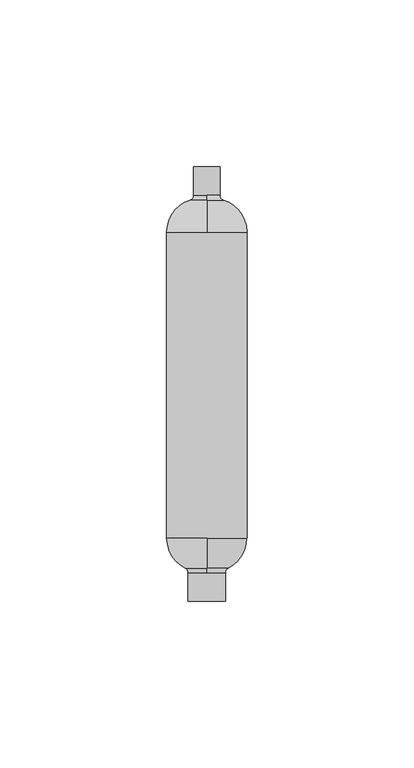
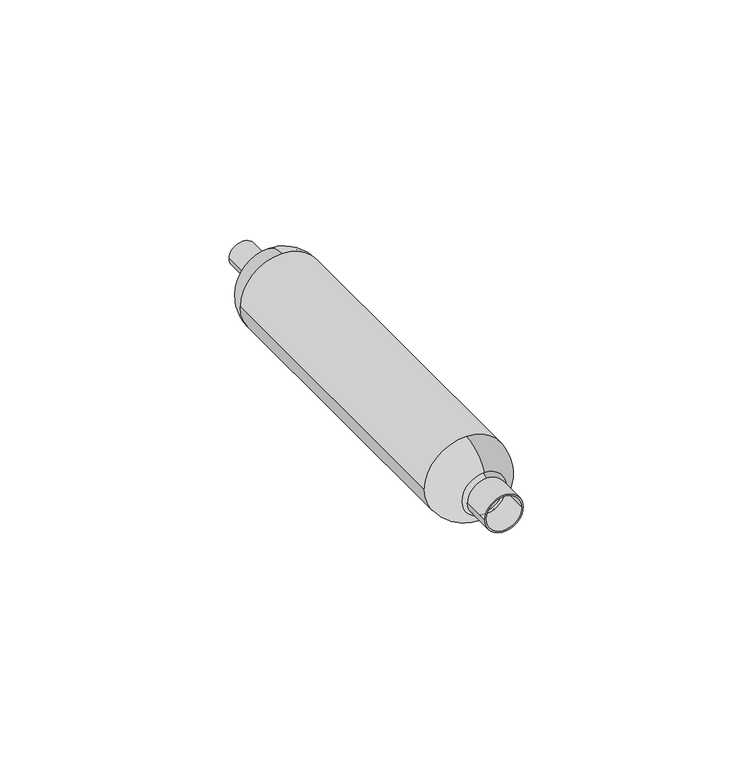
"""IFC4 building model written with IfcOpenShell, lengths in millimetres: proxy geometry."""

from ifc_helpers import new_model, si_unit, point, frame, origin, place, context, project, spatial, polyline, circle_curve, ellipse_curve, trimmed, source, transform, mapped, element, save
from ifc_brep_helpers import plane_surface, cylinder_surface, revolved_surface, advanced_brep


def generic_models_9b4259cf(model_context):
    return source(origin(), model_context, "Body", "AdvancedBrep", [
        advanced_brep(
        [(5.6, 8.5, 0.0), (5.6, 0.0, 0.0), (-5.6, 0.0, 0.0), (-5.6, 8.5, 0.0), (0.0, 8.5, -5.6), (0.0, 9.8444277, -6.4347826), (6.4347826, 9.8444277, 0.0), (0.0, 9.8444277, 6.4347826), (0.0, 8.5, 5.6), (0.0, 18.807279, -12.0), (0.0, 18.807279, 12.0), (-12.0, 18.807279, 0.0), (12.0, 110.5140999, 0.0), (12.0, 18.807279, 0.0), (-12.0, 110.5140999, 0.0), (0.0, 110.5140999, -12.0), (0.0, 120.0670565, -4.9565217), (0.0, 110.5140999, 12.0), (0.0, 120.0670565, 4.9565217), (0.0, 121.5, -3.9), (3.9, 121.5, 0.0), (0.0, 121.5, 3.9), (4.9565217, 120.0670565, 0.0), (3.9, 130.0, 0.0), (-3.9, 121.5, 0.0), (-3.9, 130.0, 0.0), (3.4, 121.5, 0.0), (3.4, 130.0, 0.0), (-3.4, 130.0, 0.0), (-3.4, 121.5, 0.0), (0.0, 121.5, -3.4), (0.0, 119.5894087, -4.8086957), (4.8086957, 119.5894087, 0.0), (0.0, 119.5894087, 4.8086957), (0.0, 121.5, 3.4), (0.0, 110.5140999, -11.5), (0.0, 110.5140999, 11.5), (-11.5, 110.5140999, 0.0), (11.5, 18.807279, 0.0), (11.5, 110.5140999, 0.0), (-11.5, 18.807279, 0.0), (0.0, 18.807279, -11.5), (0.0, 10.2925703, -6.2130435), (0.0, 18.807279, 11.5), (0.0, 10.2925703, 6.2130435), (0.0, 8.5, -5.1), (5.1, 8.5, 0.0), (0.0, 8.5, 5.1), (6.2130435, 10.2925703, 0.0), (5.1, 0.0, 0.0), (-5.1, 8.5, 0.0), (-5.1, 0.0, 0.0)],
        [
            (0, 1),
            (1, 2, circle_curve(frame((0.0, 0.0, 0.0), z_axis=(0.0, 1.0, 0.0), x_axis=(1.0, 0.0, 0.0)), 5.6)),
            (2, 3),
            (3, 4, circle_curve(frame((0.0, 8.5, 0.0), z_axis=(0.0, -1.0, 0.0), x_axis=(1.0, 0.0, 0.0)), 5.6)),
            (4, 0, circle_curve(frame((0.0, 8.5, 0.0), z_axis=(0.0, -1.0, 0.0), x_axis=(1.0, 0.0, 0.0)), 5.6)),
            (4, 5, circle_curve(frame((0.0, 8.5, -7.1), z_axis=(-1.0, 0.0, 0.0), x_axis=(0.0, 0.0, -1.0)), 1.5)),
            (5, 6, circle_curve(frame((0.0, 9.8444277, 0.0), z_axis=(0.0, -1.0, 0.0), x_axis=(0.0, 0.0, -1.0)), 6.4347826)),
            (6, 7, circle_curve(frame((0.0, 9.8444277, 0.0), z_axis=(0.0, -1.0, 0.0), x_axis=(0.0, 0.0, -1.0)), 6.4347826)),
            (7, 8, circle_curve(frame((0.0, 8.5, 7.1), z_axis=(-1.0, 0.0, 0.0), x_axis=(0.0, 0.0, 1.0)), 1.5)),
            (8, 0, circle_curve(frame((0.0, 8.5, 0.0), z_axis=(0.0, 1.0, 0.0), x_axis=(0.0, 0.0, -1.0)), 5.6)),
            (9, 5, circle_curve(frame((0.0, 18.807279, -2.0), z_axis=(-1.0, 0.0, 0.0), x_axis=(0.0, 0.0, -1.0)), 10.0)),
            (5, 7, circle_curve(frame((0.0, 9.8444277, 0.0), z_axis=(0.0, 1.0, 0.0), x_axis=(0.0, 0.0, 1.0)), 6.4347826)),
            (7, 10, circle_curve(frame((0.0, 18.807279, 2.0), z_axis=(-1.0, 0.0, 0.0), x_axis=(0.0, 0.0, 1.0)), 10.0)),
            (10, 11, circle_curve(frame((0.0, 18.807279, 0.0), z_axis=(0.0, -1.0, 0.0), x_axis=(0.0, 0.0, 1.0)), 12.0)),
            (11, 9, circle_curve(frame((0.0, 18.807279, 0.0), z_axis=(0.0, -1.0, 0.0), x_axis=(0.0, 0.0, 1.0)), 12.0)),
            (12, 13),
            (13, 9, circle_curve(frame((0.0, 18.807279, 0.0), z_axis=(0.0, 1.0, 0.0), x_axis=(1.0, 0.0, 0.0)), 12.0)),
            (11, 14),
            (14, 15, circle_curve(frame((0.0, 110.5140999, 0.0), z_axis=(0.0, -1.0, 0.0), x_axis=(1.0, 0.0, 0.0)), 12.0)),
            (15, 12, circle_curve(frame((0.0, 110.5140999, 0.0), z_axis=(0.0, -1.0, 0.0), x_axis=(1.0, 0.0, 0.0)), 12.0)),
            (16, 15, circle_curve(frame((0.0, 110.5140999, -2.0), z_axis=(-1.0, 0.0, 0.0), x_axis=(0.0, 0.0, -1.0)), 10.0)),
            (14, 17, circle_curve(frame((0.0, 110.5140999, 0.0), z_axis=(0.0, 1.0, 0.0), x_axis=(0.0, 0.0, 1.0)), 12.0)),
            (17, 18, circle_curve(frame((0.0, 110.5140999, 2.0), z_axis=(-1.0, 0.0, 0.0), x_axis=(0.0, 0.0, 1.0)), 10.0)),
            (18, 16, circle_curve(frame((0.0, 120.0670565, 0.0), z_axis=(0.0, -1.0, 0.0), x_axis=(0.0, 0.0, 1.0)), 4.9565217)),
            (16, 19, circle_curve(frame((0.0, 121.5, -5.4), z_axis=(-1.0, 0.0, 0.0), x_axis=(0.0, 0.0, -1.0)), 1.5)),
            (19, 20, circle_curve(frame((0.0, 121.5, 0.0), z_axis=(0.0, -1.0, 0.0), x_axis=(0.0, 0.0, -1.0)), 3.9)),
            (20, 21, circle_curve(frame((0.0, 121.5, 0.0), z_axis=(0.0, -1.0, 0.0), x_axis=(0.0, 0.0, -1.0)), 3.9)),
            (21, 18, circle_curve(frame((0.0, 121.5, 5.4), z_axis=(-1.0, 0.0, 0.0), x_axis=(0.0, 0.0, 1.0)), 1.5)),
            (18, 22, circle_curve(frame((0.0, 120.0670565, 0.0), z_axis=(0.0, 1.0, 0.0), x_axis=(0.0, 0.0, -1.0)), 4.9565217)),
            (22, 16, circle_curve(frame((0.0, 120.0670565, 0.0), z_axis=(0.0, 1.0, 0.0), x_axis=(0.0, 0.0, -1.0)), 4.9565217)),
            (23, 20),
            (19, 24, circle_curve(frame((0.0, 121.5, 0.0), z_axis=(0.0, 1.0, 0.0), x_axis=(1.0, 0.0, 0.0)), 3.9)),
            (24, 25),
            (25, 23, circle_curve(frame((0.0, 130.0, 0.0), z_axis=(0.0, -1.0, 0.0), x_axis=(1.0, 0.0, 0.0)), 3.9)),
            (26, 27),
            (27, 28, circle_curve(frame((0.0, 130.0, 0.0), z_axis=(0.0, 1.0, 0.0), x_axis=(1.0, 0.0, 0.0)), 3.4)),
            (28, 29),
            (29, 30, circle_curve(frame((0.0, 121.5, 0.0), z_axis=(0.0, -1.0, 0.0), x_axis=(1.0, 0.0, 0.0)), 3.4)),
            (30, 26, circle_curve(frame((0.0, 121.5, 0.0), z_axis=(0.0, -1.0, 0.0), x_axis=(1.0, 0.0, 0.0)), 3.4)),
            (30, 31, circle_curve(frame((0.0, 121.5, -5.4), z_axis=(1.0, 0.0, 0.0), x_axis=(0.0, 0.0, -1.0)), 2.0)),
            (31, 32, circle_curve(frame((0.0, 119.5894087, 0.0), z_axis=(0.0, -1.0, 0.0), x_axis=(0.0, 0.0, -1.0)), 4.8086957)),
            (32, 33, circle_curve(frame((0.0, 119.5894087, 0.0), z_axis=(0.0, -1.0, 0.0), x_axis=(0.0, 0.0, -1.0)), 4.8086957)),
            (33, 34, circle_curve(frame((0.0, 121.5, 5.4), z_axis=(1.0, 0.0, 0.0), x_axis=(0.0, 0.0, 1.0)), 2.0)),
            (34, 26, circle_curve(frame((0.0, 121.5, 0.0), z_axis=(0.0, 1.0, 0.0), x_axis=(0.0, 0.0, -1.0)), 3.4)),
            (35, 31, circle_curve(frame((0.0, 110.5140999, -2.0), z_axis=(1.0, 0.0, 0.0), x_axis=(0.0, 0.0, -1.0)), 9.5)),
            (31, 33, circle_curve(frame((0.0, 119.5894087, 0.0), z_axis=(0.0, 1.0, 0.0), x_axis=(0.0, 0.0, 1.0)), 4.8086957)),
            (33, 36, circle_curve(frame((0.0, 110.5140999, 2.0), z_axis=(1.0, 0.0, 0.0), x_axis=(0.0, 0.0, 1.0)), 9.5)),
            (36, 37, circle_curve(frame((0.0, 110.5140999, 0.0), z_axis=(0.0, -1.0, 0.0), x_axis=(0.0, 0.0, 1.0)), 11.5)),
            (37, 35, circle_curve(frame((0.0, 110.5140999, 0.0), z_axis=(0.0, -1.0, 0.0), x_axis=(0.0, 0.0, 1.0)), 11.5)),
            (38, 39),
            (39, 35, circle_curve(frame((0.0, 110.5140999, 0.0), z_axis=(0.0, 1.0, 0.0), x_axis=(1.0, 0.0, 0.0)), 11.5)),
            (37, 40),
            (40, 41, circle_curve(frame((0.0, 18.807279, 0.0), z_axis=(0.0, -1.0, 0.0), x_axis=(1.0, 0.0, 0.0)), 11.5)),
            (41, 38, circle_curve(frame((0.0, 18.807279, 0.0), z_axis=(0.0, -1.0, 0.0), x_axis=(1.0, 0.0, 0.0)), 11.5)),
            (42, 41, circle_curve(frame((0.0, 18.807279, -2.0), z_axis=(1.0, 0.0, 0.0), x_axis=(0.0, 0.0, -1.0)), 9.5)),
            (40, 43, circle_curve(frame((0.0, 18.807279, 0.0), z_axis=(0.0, 1.0, 0.0), x_axis=(0.0, 0.0, 1.0)), 11.5)),
            (43, 44, circle_curve(frame((0.0, 18.807279, 2.0), z_axis=(1.0, 0.0, 0.0), x_axis=(0.0, 0.0, 1.0)), 9.5)),
            (44, 42, circle_curve(frame((0.0, 10.2925703, 0.0), z_axis=(0.0, -1.0, 0.0), x_axis=(0.0, 0.0, 1.0)), 6.2130435)),
            (42, 45, circle_curve(frame((0.0, 8.5, -7.1), z_axis=(1.0, 0.0, 0.0), x_axis=(0.0, 0.0, -1.0)), 2.0)),
            (45, 46, circle_curve(frame((0.0, 8.5, 0.0), z_axis=(0.0, -1.0, 0.0), x_axis=(0.0, 0.0, -1.0)), 5.1)),
            (46, 47, circle_curve(frame((0.0, 8.5, 0.0), z_axis=(0.0, -1.0, 0.0), x_axis=(0.0, 0.0, -1.0)), 5.1)),
            (47, 44, circle_curve(frame((0.0, 8.5, 7.1), z_axis=(1.0, 0.0, 0.0), x_axis=(0.0, 0.0, 1.0)), 2.0)),
            (44, 48, circle_curve(frame((0.0, 10.2925703, 0.0), z_axis=(0.0, 1.0, 0.0), x_axis=(0.0, 0.0, -1.0)), 6.2130435)),
            (48, 42, circle_curve(frame((0.0, 10.2925703, 0.0), z_axis=(0.0, 1.0, 0.0), x_axis=(0.0, 0.0, -1.0)), 6.2130435)),
            (49, 46),
            (45, 50, circle_curve(frame((0.0, 8.5, 0.0), z_axis=(0.0, 1.0, 0.0), x_axis=(1.0, 0.0, 0.0)), 5.1)),
            (50, 51),
            (51, 49, circle_curve(frame((0.0, 0.0, 0.0), z_axis=(0.0, -1.0, 0.0), x_axis=(1.0, 0.0, 0.0)), 5.1)),
            (49, 51, circle_curve(frame((0.0, 0.0, 0.0), z_axis=(0.0, -1.0, 0.0), x_axis=(1.0, 0.0, 0.0)), 5.1)),
            (50, 47, circle_curve(frame((0.0, 8.5, 0.0), z_axis=(0.0, 1.0, 0.0), x_axis=(1.0, 0.0, 0.0)), 5.1)),
            (43, 38, circle_curve(frame((0.0, 18.807279, 0.0), z_axis=(0.0, 1.0, 0.0), x_axis=(0.0, 0.0, -1.0)), 11.5)),
            (36, 39, circle_curve(frame((0.0, 110.5140999, 0.0), z_axis=(0.0, 1.0, 0.0), x_axis=(1.0, 0.0, 0.0)), 11.5)),
            (29, 34, circle_curve(frame((0.0, 121.5, 0.0), z_axis=(0.0, 1.0, 0.0), x_axis=(0.0, 0.0, 1.0)), 3.4)),
            (28, 27, circle_curve(frame((0.0, 130.0, 0.0), z_axis=(0.0, 1.0, 0.0), x_axis=(1.0, 0.0, 0.0)), 3.4)),
            (25, 23, circle_curve(frame((0.0, 130.0, 0.0), z_axis=(0.0, 1.0, 0.0), x_axis=(1.0, 0.0, 0.0)), 3.9)),
            (24, 21, circle_curve(frame((0.0, 121.5, 0.0), z_axis=(0.0, 1.0, 0.0), x_axis=(1.0, 0.0, 0.0)), 3.9)),
            (17, 12, circle_curve(frame((0.0, 110.5140999, 0.0), z_axis=(0.0, 1.0, 0.0), x_axis=(0.0, 0.0, -1.0)), 12.0)),
            (10, 13, circle_curve(frame((0.0, 18.807279, 0.0), z_axis=(0.0, 1.0, 0.0), x_axis=(1.0, 0.0, 0.0)), 12.0)),
            (3, 8, circle_curve(frame((0.0, 8.5, 0.0), z_axis=(0.0, 1.0, 0.0), x_axis=(0.0, 0.0, 1.0)), 5.6)),
            (2, 1, circle_curve(frame((0.0, 0.0, 0.0), z_axis=(0.0, 1.0, 0.0), x_axis=(1.0, 0.0, 0.0)), 5.6)),
        ],
        [
            cylinder_surface(frame((0.0, 4.25, 0.0), z_axis=(0.0, -1.0, 0.0), x_axis=(1.0, 0.0, 0.0)), 5.6),
            revolved_surface(trimmed(ellipse_curve(frame((0.0, 8.5, -7.1), z_axis=(1.0, 0.0, 0.0), x_axis=(0.0, 0.0, -1.0)), 1.5, 1.5), [point((0.0, 9.8444277, -6.4347826))], [point((0.0, 8.5, -5.6))], True, "CARTESIAN"), (0.0, 8.5, 0.0), (0.0, -1.0, 0.0)),
            revolved_surface(trimmed(ellipse_curve(frame((0.0, 18.807279, 2.0), z_axis=(1.0, 0.0, 0.0), x_axis=(0.0, 0.0, 1.0)), 10.0, 10.0), [point((0.0, 18.807279, 12.0))], [point((0.0, 9.8444277, 6.4347826))], True, "CARTESIAN"), (0.0, 18.807279, 0.0), (0.0, -1.0, 0.0)),
            cylinder_surface(frame((0.0, 64.6606895, 0.0), z_axis=(0.0, -1.0, 0.0), x_axis=(1.0, 0.0, 0.0)), 12.0),
            revolved_surface(trimmed(ellipse_curve(frame((0.0, 110.5140999, 2.0), z_axis=(1.0, 0.0, 0.0), x_axis=(0.0, 0.0, 1.0)), 10.0, 10.0), [point((0.0, 120.0670565, 4.9565217))], [point((0.0, 110.5140999, 12.0))], True, "CARTESIAN"), (0.0, 110.5140999, 0.0), (0.0, -1.0, 0.0)),
            revolved_surface(trimmed(ellipse_curve(frame((0.0, 121.5, -5.4), z_axis=(1.0, 0.0, 0.0), x_axis=(0.0, 0.0, -1.0)), 1.5, 1.5), [point((0.0, 121.5, -3.9))], [point((0.0, 120.0670565, -4.9565217))], True, "CARTESIAN"), (0.0, 121.5, 0.0), (0.0, -1.0, 0.0)),
            cylinder_surface(frame((0.0, 125.75, 0.0), z_axis=(0.0, -1.0, 0.0), x_axis=(1.0, 0.0, 0.0)), 3.9),
            revolved_surface(polyline([(3.4, 121.5, 0.0), (3.4, 130.0, 0.0)]), (0.0, 125.75, 0.0), (0.0, -1.0, 0.0)),
            revolved_surface(trimmed(ellipse_curve(frame((0.0, 121.5, -5.4), z_axis=(-1.0, 0.0, 0.0), x_axis=(0.0, 0.0, -1.0)), 2.0, 2.0), [point((0.0, 119.5894087, -4.8086957))], [point((0.0, 121.5, -3.4))], True, "CARTESIAN"), (0.0, 121.5, 0.0), (0.0, -1.0, 0.0)),
            revolved_surface(trimmed(ellipse_curve(frame((0.0, 110.5140999, 2.0), z_axis=(-1.0, 0.0, 0.0), x_axis=(0.0, 0.0, 1.0)), 9.5, 9.5), [point((0.0, 110.5140999, 11.5))], [point((0.0, 119.5894087, 4.8086957))], True, "CARTESIAN"), (0.0, 110.5140999, 0.0), (0.0, -1.0, 0.0)),
            revolved_surface(polyline([(11.5, 18.807279, 0.0), (11.5, 110.5140999, 0.0)]), (0.0, 64.6606895, 0.0), (0.0, -1.0, 0.0)),
            revolved_surface(trimmed(ellipse_curve(frame((0.0, 18.807279, 2.0), z_axis=(-1.0, 0.0, 0.0), x_axis=(0.0, 0.0, 1.0)), 9.5, 9.5), [point((0.0, 10.2925703, 6.2130435))], [point((0.0, 18.807279, 11.5))], True, "CARTESIAN"), (0.0, 18.807279, 0.0), (0.0, -1.0, 0.0)),
            revolved_surface(trimmed(ellipse_curve(frame((0.0, 8.5, -7.1), z_axis=(-1.0, 0.0, 0.0), x_axis=(0.0, 0.0, -1.0)), 2.0, 2.0), [point((0.0, 8.5, -5.1))], [point((0.0, 10.2925703, -6.2130435))], True, "CARTESIAN"), (0.0, 8.5, 0.0), (0.0, -1.0, 0.0)),
            revolved_surface(polyline([(5.1, 0.0, 0.0), (5.1, 8.5, 0.0)]), (0.0, 4.25, 0.0), (0.0, -1.0, 0.0)),
            revolved_surface(trimmed(ellipse_curve(frame((0.0, 8.5, 7.1), z_axis=(1.0, 0.0, 0.0), x_axis=(0.0, 0.0, 1.0)), 2.0, 2.0), [point((0.0, 8.5, 5.1))], [point((0.0, 10.2925703, 6.2130435))], True, "CARTESIAN"), (0.0, 8.5, 0.0), (0.0, -1.0, 0.0)),
            revolved_surface(trimmed(ellipse_curve(frame((0.0, 18.807279, -2.0), z_axis=(1.0, 0.0, 0.0), x_axis=(0.0, 0.0, -1.0)), 9.5, 9.5), [point((0.0, 10.2925703, -6.2130435))], [point((0.0, 18.807279, -11.5))], True, "CARTESIAN"), (0.0, 18.807279, 0.0), (0.0, -1.0, 0.0)),
            revolved_surface(trimmed(ellipse_curve(frame((0.0, 110.5140999, -2.0), z_axis=(1.0, 0.0, 0.0), x_axis=(0.0, 0.0, -1.0)), 9.5, 9.5), [point((0.0, 110.5140999, -11.5))], [point((0.0, 119.5894087, -4.8086957))], True, "CARTESIAN"), (0.0, 110.5140999, 0.0), (0.0, -1.0, 0.0)),
            revolved_surface(trimmed(ellipse_curve(frame((0.0, 121.5, 5.4), z_axis=(1.0, 0.0, 0.0), x_axis=(0.0, 0.0, 1.0)), 2.0, 2.0), [point((0.0, 119.5894087, 4.8086957))], [point((0.0, 121.5, 3.4))], True, "CARTESIAN"), (0.0, 121.5, 0.0), (0.0, -1.0, 0.0)),
            plane_surface(frame((1.95, 130.0, 0.0), z_axis=(0.0, 1.0, 0.0), x_axis=(0.0, 0.0, 1.0))),
            revolved_surface(trimmed(ellipse_curve(frame((0.0, 121.5, 5.4), z_axis=(-1.0, 0.0, 0.0), x_axis=(0.0, 0.0, 1.0)), 1.5, 1.5), [point((0.0, 121.5, 3.9))], [point((0.0, 120.0670565, 4.9565217))], True, "CARTESIAN"), (0.0, 121.5, 0.0), (0.0, -1.0, 0.0)),
            revolved_surface(trimmed(ellipse_curve(frame((0.0, 110.5140999, -2.0), z_axis=(-1.0, 0.0, 0.0), x_axis=(0.0, 0.0, -1.0)), 10.0, 10.0), [point((0.0, 120.0670565, -4.9565217))], [point((0.0, 110.5140999, -12.0))], True, "CARTESIAN"), (0.0, 110.5140999, 0.0), (0.0, -1.0, 0.0)),
            revolved_surface(trimmed(ellipse_curve(frame((0.0, 18.807279, -2.0), z_axis=(-1.0, 0.0, 0.0), x_axis=(0.0, 0.0, -1.0)), 10.0, 10.0), [point((0.0, 18.807279, -12.0))], [point((0.0, 9.8444277, -6.4347826))], True, "CARTESIAN"), (0.0, 18.807279, 0.0), (0.0, -1.0, 0.0)),
            revolved_surface(trimmed(ellipse_curve(frame((0.0, 8.5, 7.1), z_axis=(-1.0, 0.0, 0.0), x_axis=(0.0, 0.0, 1.0)), 1.5, 1.5), [point((0.0, 9.8444277, 6.4347826))], [point((0.0, 8.5, 5.6))], True, "CARTESIAN"), (0.0, 8.5, 0.0), (0.0, -1.0, 0.0)),
            plane_surface(frame((2.8, 0.0, 0.0), z_axis=(0.0, -1.0, 0.0), x_axis=(0.0, 0.0, -1.0))),
        ],
        [
            (0, [[1, 2, 3, 4, 5]]),
            (1, [[6, 7, 8, 9, 10, -5]]),
            (2, [[11, 12, 13, 14, 15]]),
            (3, [[16, 17, -15, 18, 19, 20]]),
            (4, [[21, -19, 22, 23, 24]]),
            (5, [[25, 26, 27, 28, 29, 30]]),
            (6, [[31, -26, 32, 33, 34]]),
            (7, [[35, 36, 37, 38, 39]]),
            (8, [[40, 41, 42, 43, 44, -39]]),
            (9, [[45, 46, 47, 48, 49]]),
            (10, [[50, 51, -49, 52, 53, 54]]),
            (11, [[55, -53, 56, 57, 58]]),
            (12, [[59, 60, 61, 62, 63, 64]]),
            (13, [[65, -60, 66, 67, 68]]),
            (13, [[-65, 69, -67, 70, -61]]),
            (14, [[-59, -58, -62, -70, -66]]),
            (15, [[-55, -64, -63, -57, 71, -54]]),
            (10, [[-50, -71, -56, -52, -48, 72]]),
            (16, [[-45, -51, -72, -47, -42, -41]]),
            (17, [[-40, -38, 73, -43, -46]]),
            (7, [[-35, -44, -73, -37, 74]]),
            (18, [[75, -34], [-36, -74]]),
            (6, [[-31, -75, -33, 76, -27]]),
            (19, [[-25, -24, -28, -76, -32]]),
            (20, [[-21, -30, -29, -23, 77, -20]]),
            (3, [[-16, -77, -22, -18, -14, 78]]),
            (21, [[-11, -17, -78, -13, -8, -7]]),
            (22, [[-6, -4, 79, -9, -12]]),
            (0, [[-1, -10, -79, -3, 80]]),
            (23, [[-80, -2], [-69, -68]]),
        ],
    ),
    ])


if __name__ == "__main__":
    model = new_model("IFC4")
    model_context = context("Model", 3, world=origin())
    ifc_project = project(units=[si_unit("LENGTHUNIT", "METRE", prefix="MILLI")], contexts=[model_context])
    site = spatial("IfcSite", under=ifc_project)
    building = spatial("IfcBuilding", under=site)
    placement = place(None, origin())
    generic_models_shape = generic_models_9b4259cf(model_context)
    element("IfcBuildingElementProxy", 1, Name="Generic Models", at=placement, inside=building, context=model_context, shape_type="MappedRepresentation", body=[
        mapped(generic_models_shape, transform((0.0, 0.0, 0.0), x_axis=(1.0, 0.0, 0.0), y_axis=(0.0, 1.0, 0.0), z_axis=(0.0, 0.0, 1.0))),
    ])
    save(model, "model.ifc")
